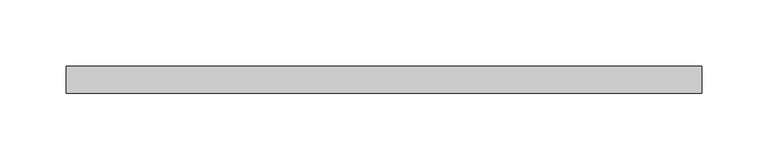
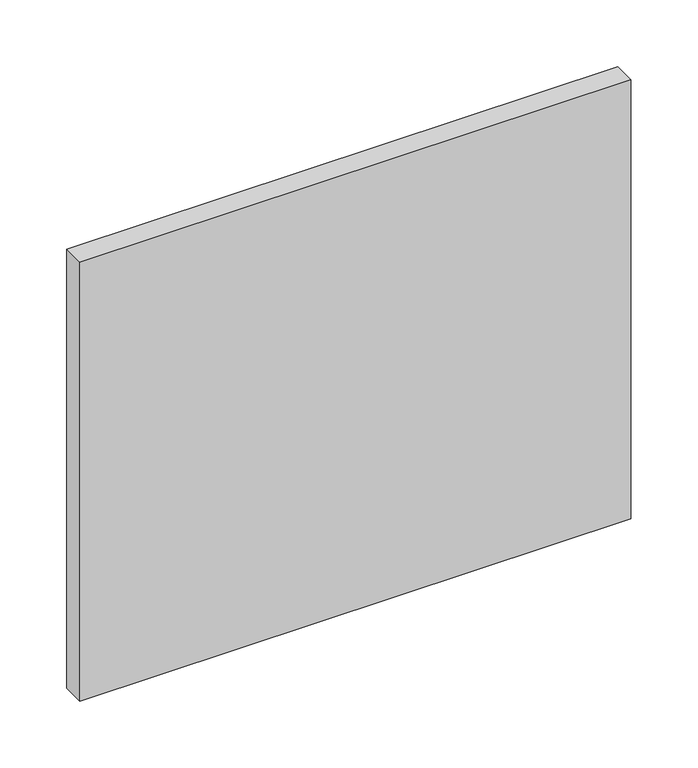
"""IFC4 building model written with IfcOpenShell, lengths in millimetres: plate geometry."""

from ifc_helpers import new_model, si_unit, origin, origin_with_axes, place, context, project, spatial, polyline, outline, extrude, source, transform, mapped, element, save


def plate_3abf4ee5(model_context):
    return source(origin(), model_context, "Body", "SweptSolid", [
        extrude(outline(polyline([(238.75, 70.0), (-238.75, 70.0), (-238.75, 90.0), (238.75, 90.0), (238.75, 70.0)])), origin_with_axes(), (0.0, 0.0, 1.0), 402.3076923),
    ])


if __name__ == "__main__":
    model = new_model("IFC4")
    model_context = context("Model", 3, world=origin())
    ifc_project = project(units=[si_unit("LENGTHUNIT", "METRE", prefix="MILLI")], contexts=[model_context])
    site = spatial("IfcSite", under=ifc_project)
    building = spatial("IfcBuilding", under=site)
    placement = place(None, origin())
    plate_shape = plate_3abf4ee5(model_context)
    element("IfcPlate", 1, at=placement, inside=building, context=model_context, shape_type="MappedRepresentation", body=[
        mapped(plate_shape, transform((0.0, 0.0, 0.0), x_axis=(1.0, 0.0, 0.0), y_axis=(0.0, 1.0, 0.0), z_axis=(0.0, 0.0, 1.0))),
    ])
    save(model, "model.ifc")
